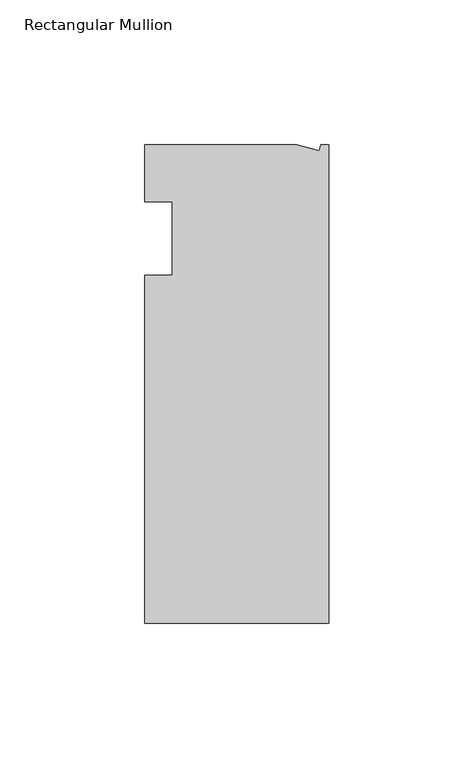
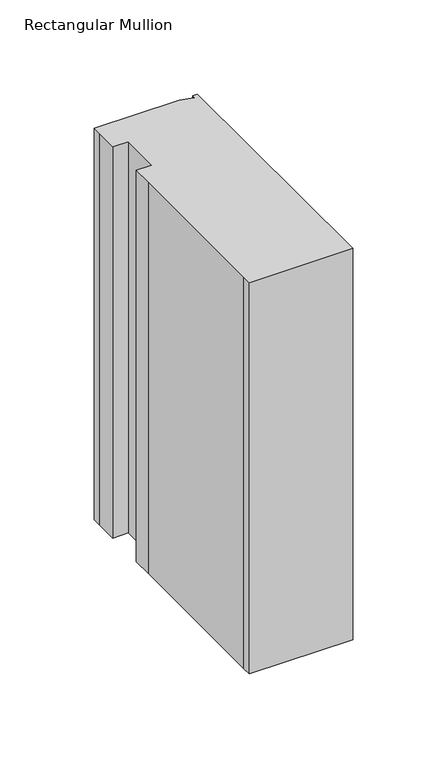
"""IFC4 building model written with IfcOpenShell, lengths in millimetres: member geometry, Rectangular Mullion."""

from ifc_helpers import new_model, si_unit, frame, origin, place, context, project, spatial, polyline, outline, extrude, source, transform, mapped, element, save


def rectangular_mullion_eeab5379(model_context):
    return source(origin(), model_context, "Body", "SweptSolid", [
        extrude(outline(polyline([(-11.1265412, 19.6597595), (-3.3457217, 17.5748952), (-2.787084, 19.6597595), (0.0, 19.6597595), (0.0, -145.4402405), (-63.5, -145.4402405), (-63.5, -139.091245), (-63.5, -38.3358837), (-63.5, -25.4), (-53.975, -25.4), (-53.975, 0.0), (-63.5, 0.0), (-63.5, 13.6200033), (-63.5, 19.6597595), (-11.1265412, 19.6597595)])), frame((0.0, 0.0, -254.0), z_axis=(0.0, 0.0, 1.0), x_axis=(1.0, 0.0, 0.0)), (0.0, 0.0, 1.0), 254.0),
    ])


if __name__ == "__main__":
    model = new_model("IFC4")
    model_context = context("Model", 3, world=origin())
    ifc_project = project(units=[si_unit("LENGTHUNIT", "METRE", prefix="MILLI")], contexts=[model_context])
    site = spatial("IfcSite", under=ifc_project)
    building = spatial("IfcBuilding", under=site)
    placement = place(None, origin())
    rectangular_mullion_shape = rectangular_mullion_eeab5379(model_context)
    element("IfcMember", 1, ObjectType="Rectangular Mullion", at=placement, inside=building, context=model_context, shape_type="MappedRepresentation", body=[
        mapped(rectangular_mullion_shape, transform((0.0, 0.0, 0.0), x_axis=(1.0, 0.0, 0.0), y_axis=(0.0, 1.0, 0.0), z_axis=(0.0, 0.0, 1.0))),
    ])
    save(model, "model.ifc")
